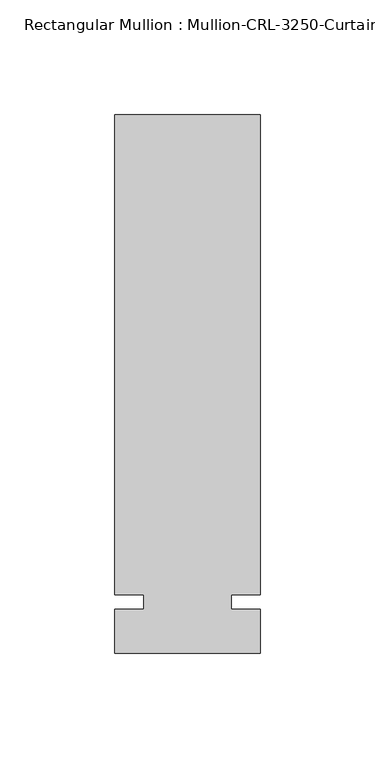
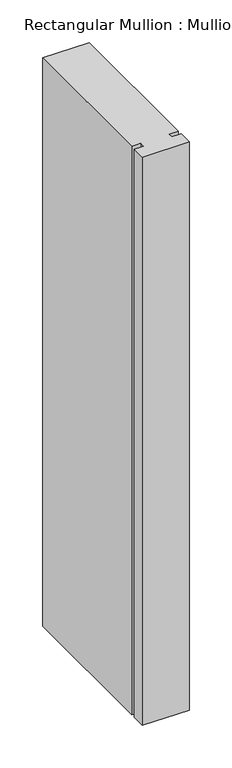
"""IFC4 building model written with IfcOpenShell, lengths in millimetres: member geometry."""

from ifc_helpers import new_model, si_unit, frame, origin, place, context, project, spatial, polyline, outline, extrude, source, transform, mapped, element, save


def member_28b6c312(model_context):
    return source(origin(), model_context, "Body", "SweptSolid", [
        extrude(outline(polyline([(31.7499985, -3.175), (31.7499985, -22.2254168), (-31.7499985, -22.2254168), (-31.7499985, -3.175), (-19.0499985, -3.175), (-19.0499985, 3.175), (-31.7499985, 3.175), (-31.7499985, 212.7246169), (31.7499985, 212.7246169), (31.7499985, 3.175), (19.0499985, 3.175), (19.0499985, -3.175), (31.7499985, -3.175)])), frame((0.0, 0.0, -815.9768581), z_axis=(0.0, 0.0, 1.0), x_axis=(1.0, 0.0, 0.0)), (0.0, 0.0, 1.0), 815.9768581),
    ])


if __name__ == "__main__":
    model = new_model("IFC4")
    model_context = context("Model", 3, world=origin())
    ifc_project = project(units=[si_unit("LENGTHUNIT", "METRE", prefix="MILLI")], contexts=[model_context])
    site = spatial("IfcSite", under=ifc_project)
    building = spatial("IfcBuilding", under=site)
    placement = place(None, origin())
    member_shape = member_28b6c312(model_context)
    element("IfcMember", 1, ObjectType="Rectangular Mullion : Mullion-CRL-3250-Curtain_Wall-Intermediate_Horizontal-8\"", at=placement, inside=building, context=model_context, shape_type="MappedRepresentation", body=[
        mapped(member_shape, transform((0.0, 0.0, 0.0), x_axis=(1.0, 0.0, 0.0), y_axis=(0.0, 1.0, 0.0), z_axis=(0.0, 0.0, 1.0))),
    ])
    save(model, "model.ifc")
